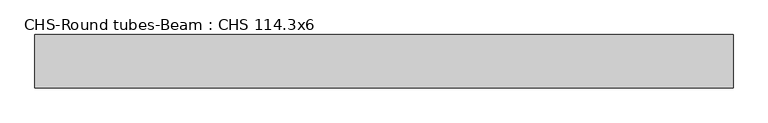
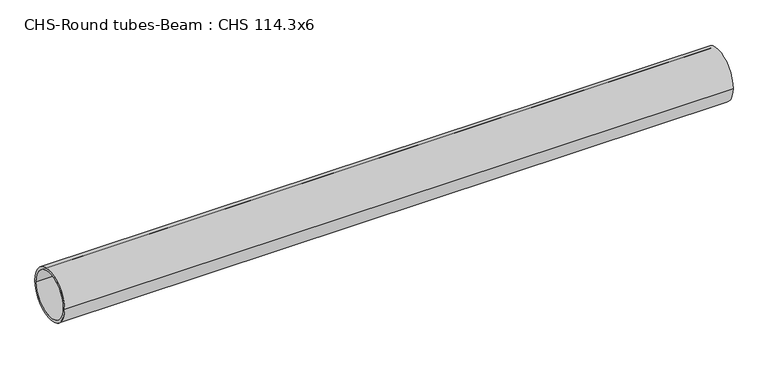
"""IFC4 building model written with IfcOpenShell, lengths in millimetres: beam geometry, CHS-Round tubes-Beam : CHS 114.3x6."""

from ifc_helpers import new_model, si_unit, point, frame, origin, origin_2d, place, context, project, spatial, circle_curve, trimmed, segment, composite_curve, outline, extrude, source, transform, mapped, element, save


def chs_round_tubes_beam_chs_114_3x6_33d32a39(model_context):
    return source(origin(), model_context, "Body", "SweptSolid", [
        extrude(outline(composite_curve([segment(trimmed(circle_curve(origin_2d(), 57.15), [point((57.15, 0.0))], [point((-57.15, 0.0))], False, "CARTESIAN"), True, "CONTINUOUS"), segment(trimmed(circle_curve(origin_2d(), 57.15), [point((-57.15, 0.0))], [point((57.15, 0.0))], False, "CARTESIAN"), True, "CONTINUOUS")], self_intersect=False), holes=[composite_curve([segment(trimmed(circle_curve(origin_2d(), 51.15), [point((51.15, 0.0))], [point((-51.15, 0.0))], True, "CARTESIAN"), True, "CONTINUOUS"), segment(trimmed(circle_curve(origin_2d(), 51.15), [point((-51.15, 0.0))], [point((51.15, 0.0))], True, "CARTESIAN"), True, "CONTINUOUS")], self_intersect=False)]), frame((-742.6742586, 0.0, 0.0), z_axis=(1.0, 0.0, 0.0), x_axis=(0.0, 1.0, 0.0)), (0.0, 0.0, 1.0), 1491.8847907),
    ])


if __name__ == "__main__":
    model = new_model("IFC4")
    model_context = context("Model", 3, world=origin())
    ifc_project = project(units=[si_unit("LENGTHUNIT", "METRE", prefix="MILLI")], contexts=[model_context])
    site = spatial("IfcSite", under=ifc_project)
    building = spatial("IfcBuilding", under=site)
    placement = place(None, origin())
    chs_round_tubes_beam_chs_114_3x6_shape = chs_round_tubes_beam_chs_114_3x6_33d32a39(model_context)
    element("IfcBeam", 1, ObjectType="CHS-Round tubes-Beam : CHS 114.3x6", at=placement, inside=building, context=model_context, shape_type="MappedRepresentation", body=[
        mapped(chs_round_tubes_beam_chs_114_3x6_shape, transform((0.0, 0.0, 0.0), x_axis=(1.0, 0.0, 0.0), y_axis=(0.0, 1.0, 0.0), z_axis=(0.0, 0.0, 1.0))),
    ])
    save(model, "model.ifc")
